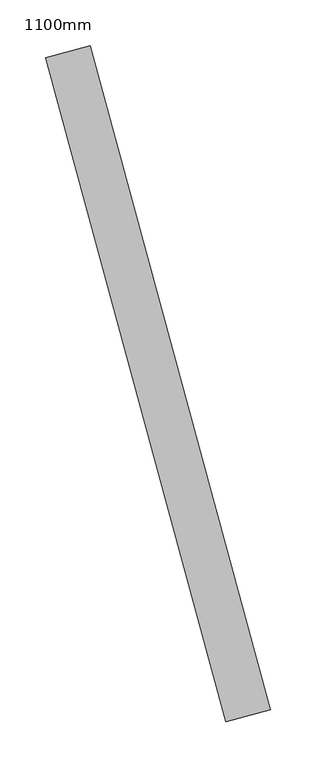
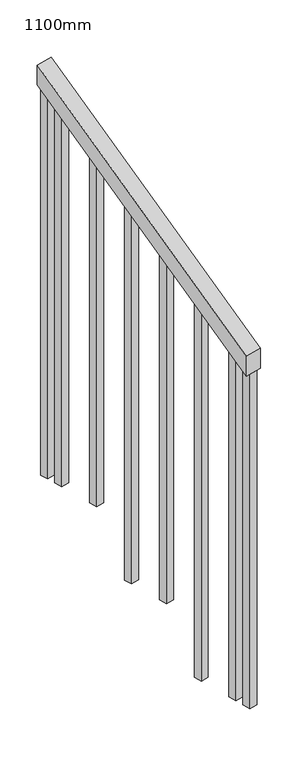
"""IFC4 building model written with IfcOpenShell, lengths in millimetres: railing geometry, 1100mm."""

from ifc_helpers import new_model, si_unit, frame, origin, place, context, project, spatial, polyline, outline, extrude, source, transform, mapped, element, save


def railing_1100mm_c518f637(model_context):
    return source(origin(), model_context, "Body", "SweptSolid", [
        extrude(outline(polyline([(-35.5555555, -50.0), (0.0, 0.0), (920.2958461, 0.0), (884.7402905, -50.0), (-35.5555555, -50.0)])), frame((163965.1407277, -80370.5521919, 1277.7777778), z_axis=(0.9649894123601854, 0.2622888370341834, 0.0), x_axis=(-0.21375368431595335, 0.786423259755404, 0.579523786360008)), (0.0, 0.0, 1.0), 50.0),
        extrude(outline(polyline([(108.8888889, 0.0), (91.1111112, 25.0), (1271.980277, 25.0), (1271.980277, 0.0), (108.8888889, 0.0)])), frame((163800.1581304, -79715.9057281, 1805.3136103), z_axis=(0.9649894123601821, 0.2622888370341949, 0.0), x_axis=(0.0, 0.0, -1.0)), (0.0, 0.0, 1.0), 25.0),
        extrude(outline(polyline([(108.8888889, 0.0), (91.1111111, 25.0), (1183.0913881, 25.0), (1183.0913881, 0.0), (108.8888889, 0.0)])), frame((163832.944235, -79836.5294047, 1716.4247214), z_axis=(0.9649894123601821, 0.2622888370341949, 0.0), x_axis=(0.0, 0.0, -1.0)), (0.0, 0.0, 1.0), 25.0),
        extrude(outline(polyline([(108.8888889, 0.0), (91.1111111, 25.0), (1271.9802769, 25.0), (1271.9802769, 0.0), (108.8888889, 0.0)])), frame((163865.7303396, -79957.1530812, 1627.5358325), z_axis=(0.9649894123601821, 0.2622888370341949, 0.0), x_axis=(0.0, 0.0, -1.0)), (0.0, 0.0, 1.0), 25.0),
        extrude(outline(polyline([(108.8888889, 0.0), (91.1111111, 25.0000001), (1183.091388, 25.0000001), (1183.091388, 0.0), (108.8888889, 0.0)])), frame((163898.5164442, -80077.7767578, 1538.6469436), z_axis=(0.9649894123601821, 0.2622888370341949, 0.0), x_axis=(0.0, 0.0, -1.0)), (0.0, 0.0, 1.0), 25.0),
        extrude(outline(polyline([(108.8888889, 0.0), (91.1111111, 25.0), (1271.9802769, 25.0), (1271.9802769, 0.0), (108.8888889, 0.0)])), frame((163931.3025489, -80198.4004343, 1449.7580547), z_axis=(0.9649894123601821, 0.2622888370341949, 0.0), x_axis=(0.0, 0.0, -1.0)), (0.0, 0.0, 1.0), 25.0),
        extrude(outline(polyline([(108.8888889, 0.0), (91.1111111, 25.0), (1183.091388, 25.0), (1183.091388, 0.0), (108.8888889, 0.0)])), frame((163964.0886535, -80319.0241108, 1360.8691658), z_axis=(0.9649894123601821, 0.2622888370341949, 0.0), x_axis=(0.0, 0.0, -1.0)), (0.0, 0.0, 1.0), 25.0),
        extrude(outline(polyline([(108.8888889, 0.0), (91.1111111, 25.0), (1307.5358325, 25.0), (1307.5358325, 0.0), (108.8888889, 0.0)])), frame((163787.0436885, -79667.6562575, 1840.8691658), z_axis=(0.9649894123601821, 0.2622888370341949, 0.0), x_axis=(0.0, 0.0, -1.0)), (0.0, 0.0, 1.0), 25.0),
        extrude(outline(polyline([(108.8888889, 0.0), (91.1111112, 25.0), (1147.5358325, 25.0), (1147.5358325, 0.0), (108.8888889, 0.0)])), frame((163977.2030954, -80367.2735815, 1325.3136103), z_axis=(0.9649894123601821, 0.2622888370341949, 0.0), x_axis=(0.0, 0.0, -1.0)), (0.0, 0.0, 1.0), 25.0),
    ])


if __name__ == "__main__":
    model = new_model("IFC4")
    model_context = context("Model", 3, world=origin())
    ifc_project = project(units=[si_unit("LENGTHUNIT", "METRE", prefix="MILLI")], contexts=[model_context])
    site = spatial("IfcSite", under=ifc_project)
    building = spatial("IfcBuilding", under=site)
    placement = place(None, origin())
    railing_1100mm_shape = railing_1100mm_c518f637(model_context)
    element("IfcRailing", 1, ObjectType="1100mm", at=placement, inside=building, context=model_context, shape_type="MappedRepresentation", body=[
        mapped(railing_1100mm_shape, transform((0.0, 0.0, 0.0), x_axis=(1.0, 0.0, 0.0), y_axis=(0.0, 1.0, 0.0), z_axis=(0.0, 0.0, 1.0))),
    ])
    save(model, "model.ifc")
